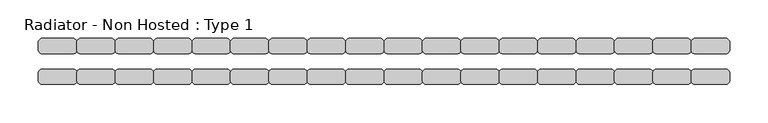
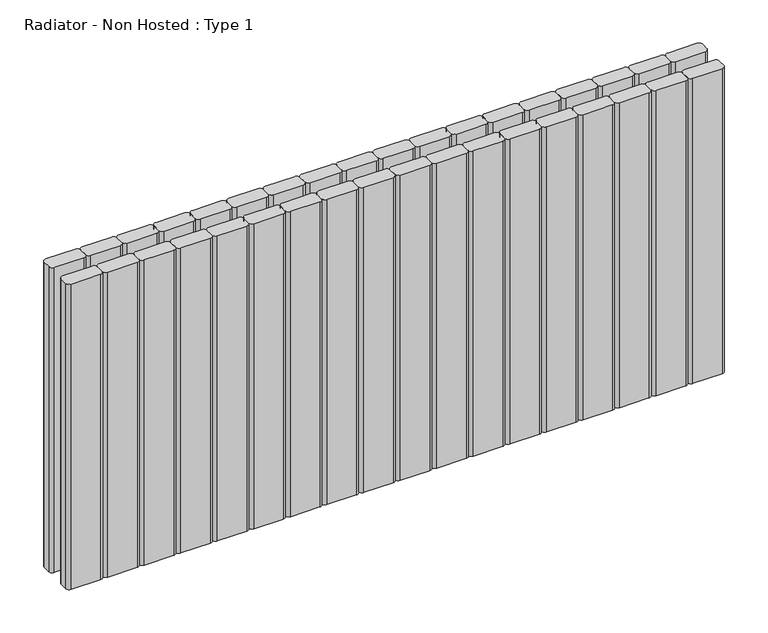
"""IFC4 building model written with IfcOpenShell, lengths in millimetres: proxy geometry, Radiator - Non Hosted : Type 1."""

from ifc_helpers import new_model, si_unit, point, frame, frame_2d, origin, place, context, project, spatial, polyline, circle_curve, trimmed, segment, composite_curve, outline, extrude, source, transform, mapped, element, save


def radiator_non_hosted_type_1_456f653b(model_context):
    return source(origin(), model_context, "Body", "SweptSolid", [
        extrude(outline(composite_curve([segment(trimmed(circle_curve(frame_2d((995.0, 95.0)), 5.0), [point((995.0, 100.0))], [point((1000.0, 95.0))], False, "CARTESIAN"), True, "CONTINUOUS"), segment(polyline([(1000.0, 95.0), (1000.0, 85.0)]), True, "CONTINUOUS"), segment(trimmed(circle_curve(frame_2d((995.0, 85.0)), 5.0), [point((1000.0, 85.0))], [point((995.0, 80.0))], False, "CARTESIAN"), True, "CONTINUOUS"), segment(polyline([(995.0, 80.0), (955.0, 80.0)]), True, "CONTINUOUS"), segment(trimmed(circle_curve(frame_2d((955.0, 85.0)), 5.0), [point((955.0, 80.0))], [point((950.0, 85.0))], False, "CARTESIAN"), True, "CONTINUOUS"), segment(polyline([(950.0, 85.0), (950.0, 95.0)]), True, "CONTINUOUS"), segment(trimmed(circle_curve(frame_2d((955.0, 95.0)), 5.0), [point((950.0, 95.0))], [point((955.0, 100.0))], False, "CARTESIAN"), True, "CONTINUOUS"), segment(polyline([(955.0, 100.0), (995.0, 100.0)]), True, "CONTINUOUS")], self_intersect=False)), frame((0.0, 0.0, 100.0), z_axis=(0.0, 0.0, 1.0), x_axis=(1.0, 0.0, 0.0)), (0.0, 0.0, 1.0), 441.0619944),
        extrude(outline(composite_curve([segment(trimmed(circle_curve(frame_2d((945.0, 95.0)), 5.0), [point((945.0, 100.0))], [point((950.0, 95.0))], False, "CARTESIAN"), True, "CONTINUOUS"), segment(polyline([(950.0, 95.0), (950.0, 85.0)]), True, "CONTINUOUS"), segment(trimmed(circle_curve(frame_2d((945.0, 85.0)), 5.0), [point((950.0, 85.0))], [point((945.0, 80.0))], False, "CARTESIAN"), True, "CONTINUOUS"), segment(polyline([(945.0, 80.0), (905.0, 80.0)]), True, "CONTINUOUS"), segment(trimmed(circle_curve(frame_2d((905.0, 85.0)), 5.0), [point((905.0, 80.0))], [point((900.0, 85.0))], False, "CARTESIAN"), True, "CONTINUOUS"), segment(polyline([(900.0, 85.0), (900.0, 95.0)]), True, "CONTINUOUS"), segment(trimmed(circle_curve(frame_2d((905.0, 95.0)), 5.0), [point((900.0, 95.0))], [point((905.0, 100.0))], False, "CARTESIAN"), True, "CONTINUOUS"), segment(polyline([(905.0, 100.0), (945.0, 100.0)]), True, "CONTINUOUS")], self_intersect=False)), frame((0.0, 0.0, 100.0), z_axis=(0.0, 0.0, 1.0), x_axis=(1.0, 0.0, 0.0)), (0.0, 0.0, 1.0), 441.0619944),
        extrude(outline(composite_curve([segment(trimmed(circle_curve(frame_2d((895.0, 95.0)), 5.0), [point((895.0, 100.0))], [point((900.0, 95.0))], False, "CARTESIAN"), True, "CONTINUOUS"), segment(polyline([(900.0, 95.0), (900.0, 85.0)]), True, "CONTINUOUS"), segment(trimmed(circle_curve(frame_2d((895.0, 85.0)), 5.0), [point((900.0, 85.0))], [point((895.0, 80.0))], False, "CARTESIAN"), True, "CONTINUOUS"), segment(polyline([(895.0, 80.0), (855.0, 80.0)]), True, "CONTINUOUS"), segment(trimmed(circle_curve(frame_2d((855.0, 85.0)), 5.0), [point((855.0, 80.0))], [point((850.0, 85.0))], False, "CARTESIAN"), True, "CONTINUOUS"), segment(polyline([(850.0, 85.0), (850.0, 95.0)]), True, "CONTINUOUS"), segment(trimmed(circle_curve(frame_2d((855.0, 95.0)), 5.0), [point((850.0, 95.0))], [point((855.0, 100.0))], False, "CARTESIAN"), True, "CONTINUOUS"), segment(polyline([(855.0, 100.0), (895.0, 100.0)]), True, "CONTINUOUS")], self_intersect=False)), frame((0.0, 0.0, 100.0), z_axis=(0.0, 0.0, 1.0), x_axis=(1.0, 0.0, 0.0)), (0.0, 0.0, 1.0), 441.0619944),
        extrude(outline(composite_curve([segment(trimmed(circle_curve(frame_2d((845.0, 95.0)), 5.0), [point((845.0, 100.0))], [point((850.0, 95.0))], False, "CARTESIAN"), True, "CONTINUOUS"), segment(polyline([(850.0, 95.0), (850.0, 85.0)]), True, "CONTINUOUS"), segment(trimmed(circle_curve(frame_2d((845.0, 85.0)), 5.0), [point((850.0, 85.0))], [point((845.0, 80.0))], False, "CARTESIAN"), True, "CONTINUOUS"), segment(polyline([(845.0, 80.0), (805.0, 80.0)]), True, "CONTINUOUS"), segment(trimmed(circle_curve(frame_2d((805.0, 85.0)), 5.0), [point((805.0, 80.0))], [point((800.0, 85.0))], False, "CARTESIAN"), True, "CONTINUOUS"), segment(polyline([(800.0, 85.0), (800.0, 95.0)]), True, "CONTINUOUS"), segment(trimmed(circle_curve(frame_2d((805.0, 95.0)), 5.0), [point((800.0, 95.0))], [point((805.0, 100.0))], False, "CARTESIAN"), True, "CONTINUOUS"), segment(polyline([(805.0, 100.0), (845.0, 100.0)]), True, "CONTINUOUS")], self_intersect=False)), frame((0.0, 0.0, 100.0), z_axis=(0.0, 0.0, 1.0), x_axis=(1.0, 0.0, 0.0)), (0.0, 0.0, 1.0), 441.0619944),
        extrude(outline(composite_curve([segment(trimmed(circle_curve(frame_2d((795.0, 95.0)), 5.0), [point((795.0, 100.0))], [point((800.0, 95.0))], False, "CARTESIAN"), True, "CONTINUOUS"), segment(polyline([(800.0, 95.0), (800.0, 85.0)]), True, "CONTINUOUS"), segment(trimmed(circle_curve(frame_2d((795.0, 85.0)), 5.0), [point((800.0, 85.0))], [point((795.0, 80.0))], False, "CARTESIAN"), True, "CONTINUOUS"), segment(polyline([(795.0, 80.0), (755.0, 80.0)]), True, "CONTINUOUS"), segment(trimmed(circle_curve(frame_2d((755.0, 85.0)), 5.0), [point((755.0, 80.0))], [point((750.0, 85.0))], False, "CARTESIAN"), True, "CONTINUOUS"), segment(polyline([(750.0, 85.0), (750.0, 95.0)]), True, "CONTINUOUS"), segment(trimmed(circle_curve(frame_2d((755.0, 95.0)), 5.0), [point((750.0, 95.0))], [point((755.0, 100.0))], False, "CARTESIAN"), True, "CONTINUOUS"), segment(polyline([(755.0, 100.0), (795.0, 100.0)]), True, "CONTINUOUS")], self_intersect=False)), frame((0.0, 0.0, 100.0), z_axis=(0.0, 0.0, 1.0), x_axis=(1.0, 0.0, 0.0)), (0.0, 0.0, 1.0), 441.0619944),
        extrude(outline(composite_curve([segment(trimmed(circle_curve(frame_2d((745.0, 95.0)), 5.0), [point((745.0, 100.0))], [point((750.0, 95.0))], False, "CARTESIAN"), True, "CONTINUOUS"), segment(polyline([(750.0, 95.0), (750.0, 85.0)]), True, "CONTINUOUS"), segment(trimmed(circle_curve(frame_2d((745.0, 85.0)), 5.0), [point((750.0, 85.0))], [point((745.0, 80.0))], False, "CARTESIAN"), True, "CONTINUOUS"), segment(polyline([(745.0, 80.0), (705.0, 80.0)]), True, "CONTINUOUS"), segment(trimmed(circle_curve(frame_2d((705.0, 85.0)), 5.0), [point((705.0, 80.0))], [point((700.0, 85.0))], False, "CARTESIAN"), True, "CONTINUOUS"), segment(polyline([(700.0, 85.0), (700.0, 95.0)]), True, "CONTINUOUS"), segment(trimmed(circle_curve(frame_2d((705.0, 95.0)), 5.0), [point((700.0, 95.0))], [point((705.0, 100.0))], False, "CARTESIAN"), True, "CONTINUOUS"), segment(polyline([(705.0, 100.0), (745.0, 100.0)]), True, "CONTINUOUS")], self_intersect=False)), frame((0.0, 0.0, 100.0), z_axis=(0.0, 0.0, 1.0), x_axis=(1.0, 0.0, 0.0)), (0.0, 0.0, 1.0), 441.0619944),
        extrude(outline(composite_curve([segment(trimmed(circle_curve(frame_2d((695.0, 95.0)), 5.0), [point((695.0, 100.0))], [point((700.0, 95.0))], False, "CARTESIAN"), True, "CONTINUOUS"), segment(polyline([(700.0, 95.0), (700.0, 85.0)]), True, "CONTINUOUS"), segment(trimmed(circle_curve(frame_2d((695.0, 85.0)), 5.0), [point((700.0, 85.0))], [point((695.0, 80.0))], False, "CARTESIAN"), True, "CONTINUOUS"), segment(polyline([(695.0, 80.0), (655.0, 80.0)]), True, "CONTINUOUS"), segment(trimmed(circle_curve(frame_2d((655.0, 85.0)), 5.0), [point((655.0, 80.0))], [point((650.0, 85.0))], False, "CARTESIAN"), True, "CONTINUOUS"), segment(polyline([(650.0, 85.0), (650.0, 95.0)]), True, "CONTINUOUS"), segment(trimmed(circle_curve(frame_2d((655.0, 95.0)), 5.0), [point((650.0, 95.0))], [point((655.0, 100.0))], False, "CARTESIAN"), True, "CONTINUOUS"), segment(polyline([(655.0, 100.0), (695.0, 100.0)]), True, "CONTINUOUS")], self_intersect=False)), frame((0.0, 0.0, 100.0), z_axis=(0.0, 0.0, 1.0), x_axis=(1.0, 0.0, 0.0)), (0.0, 0.0, 1.0), 441.0619944),
        extrude(outline(composite_curve([segment(trimmed(circle_curve(frame_2d((645.0, 95.0)), 5.0), [point((645.0, 100.0))], [point((650.0, 95.0))], False, "CARTESIAN"), True, "CONTINUOUS"), segment(polyline([(650.0, 95.0), (650.0, 85.0)]), True, "CONTINUOUS"), segment(trimmed(circle_curve(frame_2d((645.0, 85.0)), 5.0), [point((650.0, 85.0))], [point((645.0, 80.0))], False, "CARTESIAN"), True, "CONTINUOUS"), segment(polyline([(645.0, 80.0), (605.0, 80.0)]), True, "CONTINUOUS"), segment(trimmed(circle_curve(frame_2d((605.0, 85.0)), 5.0), [point((605.0, 80.0))], [point((600.0, 85.0))], False, "CARTESIAN"), True, "CONTINUOUS"), segment(polyline([(600.0, 85.0), (600.0, 95.0)]), True, "CONTINUOUS"), segment(trimmed(circle_curve(frame_2d((605.0, 95.0)), 5.0), [point((600.0, 95.0))], [point((605.0, 100.0))], False, "CARTESIAN"), True, "CONTINUOUS"), segment(polyline([(605.0, 100.0), (645.0, 100.0)]), True, "CONTINUOUS")], self_intersect=False)), frame((0.0, 0.0, 100.0), z_axis=(0.0, 0.0, 1.0), x_axis=(1.0, 0.0, 0.0)), (0.0, 0.0, 1.0), 441.0619944),
        extrude(outline(composite_curve([segment(trimmed(circle_curve(frame_2d((995.0, 55.0)), 5.0), [point((995.0, 60.0))], [point((1000.0, 55.0))], False, "CARTESIAN"), True, "CONTINUOUS"), segment(polyline([(1000.0, 55.0), (1000.0, 45.0)]), True, "CONTINUOUS"), segment(trimmed(circle_curve(frame_2d((995.0, 45.0)), 5.0), [point((1000.0, 45.0))], [point((995.0, 40.0))], False, "CARTESIAN"), True, "CONTINUOUS"), segment(polyline([(995.0, 40.0), (955.0, 40.0)]), True, "CONTINUOUS"), segment(trimmed(circle_curve(frame_2d((955.0, 45.0)), 5.0), [point((955.0, 40.0))], [point((950.0, 45.0))], False, "CARTESIAN"), True, "CONTINUOUS"), segment(polyline([(950.0, 45.0), (950.0, 55.0)]), True, "CONTINUOUS"), segment(trimmed(circle_curve(frame_2d((955.0, 55.0)), 5.0), [point((950.0, 55.0))], [point((955.0, 60.0))], False, "CARTESIAN"), True, "CONTINUOUS"), segment(polyline([(955.0, 60.0), (995.0, 60.0)]), True, "CONTINUOUS")], self_intersect=False)), frame((0.0, 0.0, 100.0), z_axis=(0.0, 0.0, 1.0), x_axis=(1.0, 0.0, 0.0)), (0.0, 0.0, 1.0), 441.0619944),
        extrude(outline(composite_curve([segment(trimmed(circle_curve(frame_2d((945.0, 55.0)), 5.0), [point((945.0, 60.0))], [point((950.0, 55.0))], False, "CARTESIAN"), True, "CONTINUOUS"), segment(polyline([(950.0, 55.0), (950.0, 45.0)]), True, "CONTINUOUS"), segment(trimmed(circle_curve(frame_2d((945.0, 45.0)), 5.0), [point((950.0, 45.0))], [point((945.0, 40.0))], False, "CARTESIAN"), True, "CONTINUOUS"), segment(polyline([(945.0, 40.0), (905.0, 40.0)]), True, "CONTINUOUS"), segment(trimmed(circle_curve(frame_2d((905.0, 45.0)), 5.0), [point((905.0, 40.0))], [point((900.0, 45.0))], False, "CARTESIAN"), True, "CONTINUOUS"), segment(polyline([(900.0, 45.0), (900.0, 55.0)]), True, "CONTINUOUS"), segment(trimmed(circle_curve(frame_2d((905.0, 55.0)), 5.0), [point((900.0, 55.0))], [point((905.0, 60.0))], False, "CARTESIAN"), True, "CONTINUOUS"), segment(polyline([(905.0, 60.0), (945.0, 60.0)]), True, "CONTINUOUS")], self_intersect=False)), frame((0.0, 0.0, 100.0), z_axis=(0.0, 0.0, 1.0), x_axis=(1.0, 0.0, 0.0)), (0.0, 0.0, 1.0), 441.0619944),
        extrude(outline(composite_curve([segment(trimmed(circle_curve(frame_2d((895.0, 55.0)), 5.0), [point((895.0, 60.0))], [point((900.0, 55.0))], False, "CARTESIAN"), True, "CONTINUOUS"), segment(polyline([(900.0, 55.0), (900.0, 45.0)]), True, "CONTINUOUS"), segment(trimmed(circle_curve(frame_2d((895.0, 45.0)), 5.0), [point((900.0, 45.0))], [point((895.0, 40.0))], False, "CARTESIAN"), True, "CONTINUOUS"), segment(polyline([(895.0, 40.0), (855.0, 40.0)]), True, "CONTINUOUS"), segment(trimmed(circle_curve(frame_2d((855.0, 45.0)), 5.0), [point((855.0, 40.0))], [point((850.0, 45.0))], False, "CARTESIAN"), True, "CONTINUOUS"), segment(polyline([(850.0, 45.0), (850.0, 55.0)]), True, "CONTINUOUS"), segment(trimmed(circle_curve(frame_2d((855.0, 55.0)), 5.0), [point((850.0, 55.0))], [point((855.0, 60.0))], False, "CARTESIAN"), True, "CONTINUOUS"), segment(polyline([(855.0, 60.0), (895.0, 60.0)]), True, "CONTINUOUS")], self_intersect=False)), frame((0.0, 0.0, 100.0), z_axis=(0.0, 0.0, 1.0), x_axis=(1.0, 0.0, 0.0)), (0.0, 0.0, 1.0), 441.0619944),
        extrude(outline(composite_curve([segment(trimmed(circle_curve(frame_2d((845.0, 55.0)), 5.0), [point((845.0, 60.0))], [point((850.0, 55.0))], False, "CARTESIAN"), True, "CONTINUOUS"), segment(polyline([(850.0, 55.0), (850.0, 45.0)]), True, "CONTINUOUS"), segment(trimmed(circle_curve(frame_2d((845.0, 45.0)), 5.0), [point((850.0, 45.0))], [point((845.0, 40.0))], False, "CARTESIAN"), True, "CONTINUOUS"), segment(polyline([(845.0, 40.0), (805.0, 40.0)]), True, "CONTINUOUS"), segment(trimmed(circle_curve(frame_2d((805.0, 45.0)), 5.0), [point((805.0, 40.0))], [point((800.0, 45.0))], False, "CARTESIAN"), True, "CONTINUOUS"), segment(polyline([(800.0, 45.0), (800.0, 55.0)]), True, "CONTINUOUS"), segment(trimmed(circle_curve(frame_2d((805.0, 55.0)), 5.0), [point((800.0, 55.0))], [point((805.0, 60.0))], False, "CARTESIAN"), True, "CONTINUOUS"), segment(polyline([(805.0, 60.0), (845.0, 60.0)]), True, "CONTINUOUS")], self_intersect=False)), frame((0.0, 0.0, 100.0), z_axis=(0.0, 0.0, 1.0), x_axis=(1.0, 0.0, 0.0)), (0.0, 0.0, 1.0), 441.0619944),
        extrude(outline(composite_curve([segment(trimmed(circle_curve(frame_2d((795.0, 55.0)), 5.0), [point((795.0, 60.0))], [point((800.0, 55.0))], False, "CARTESIAN"), True, "CONTINUOUS"), segment(polyline([(800.0, 55.0), (800.0, 45.0)]), True, "CONTINUOUS"), segment(trimmed(circle_curve(frame_2d((795.0, 45.0)), 5.0), [point((800.0, 45.0))], [point((795.0, 40.0))], False, "CARTESIAN"), True, "CONTINUOUS"), segment(polyline([(795.0, 40.0), (755.0, 40.0)]), True, "CONTINUOUS"), segment(trimmed(circle_curve(frame_2d((755.0, 45.0)), 5.0), [point((755.0, 40.0))], [point((750.0, 45.0))], False, "CARTESIAN"), True, "CONTINUOUS"), segment(polyline([(750.0, 45.0), (750.0, 55.0)]), True, "CONTINUOUS"), segment(trimmed(circle_curve(frame_2d((755.0, 55.0)), 5.0), [point((750.0, 55.0))], [point((755.0, 60.0))], False, "CARTESIAN"), True, "CONTINUOUS"), segment(polyline([(755.0, 60.0), (795.0, 60.0)]), True, "CONTINUOUS")], self_intersect=False)), frame((0.0, 0.0, 100.0), z_axis=(0.0, 0.0, 1.0), x_axis=(1.0, 0.0, 0.0)), (0.0, 0.0, 1.0), 441.0619944),
        extrude(outline(composite_curve([segment(trimmed(circle_curve(frame_2d((745.0, 55.0)), 5.0), [point((745.0, 60.0))], [point((750.0, 55.0))], False, "CARTESIAN"), True, "CONTINUOUS"), segment(polyline([(750.0, 55.0), (750.0, 45.0)]), True, "CONTINUOUS"), segment(trimmed(circle_curve(frame_2d((745.0, 45.0)), 5.0), [point((750.0, 45.0))], [point((745.0, 40.0))], False, "CARTESIAN"), True, "CONTINUOUS"), segment(polyline([(745.0, 40.0), (705.0, 40.0)]), True, "CONTINUOUS"), segment(trimmed(circle_curve(frame_2d((705.0, 45.0)), 5.0), [point((705.0, 40.0))], [point((700.0, 45.0))], False, "CARTESIAN"), True, "CONTINUOUS"), segment(polyline([(700.0, 45.0), (700.0, 55.0)]), True, "CONTINUOUS"), segment(trimmed(circle_curve(frame_2d((705.0, 55.0)), 5.0), [point((700.0, 55.0))], [point((705.0, 60.0))], False, "CARTESIAN"), True, "CONTINUOUS"), segment(polyline([(705.0, 60.0), (745.0, 60.0)]), True, "CONTINUOUS")], self_intersect=False)), frame((0.0, 0.0, 100.0), z_axis=(0.0, 0.0, 1.0), x_axis=(1.0, 0.0, 0.0)), (0.0, 0.0, 1.0), 441.0619944),
        extrude(outline(composite_curve([segment(trimmed(circle_curve(frame_2d((695.0, 55.0)), 5.0), [point((695.0, 60.0))], [point((700.0, 55.0))], False, "CARTESIAN"), True, "CONTINUOUS"), segment(polyline([(700.0, 55.0), (700.0, 45.0)]), True, "CONTINUOUS"), segment(trimmed(circle_curve(frame_2d((695.0, 45.0)), 5.0), [point((700.0, 45.0))], [point((695.0, 40.0))], False, "CARTESIAN"), True, "CONTINUOUS"), segment(polyline([(695.0, 40.0), (655.0, 40.0)]), True, "CONTINUOUS"), segment(trimmed(circle_curve(frame_2d((655.0, 45.0)), 5.0), [point((655.0, 40.0))], [point((650.0, 45.0))], False, "CARTESIAN"), True, "CONTINUOUS"), segment(polyline([(650.0, 45.0), (650.0, 55.0)]), True, "CONTINUOUS"), segment(trimmed(circle_curve(frame_2d((655.0, 55.0)), 5.0), [point((650.0, 55.0))], [point((655.0, 60.0))], False, "CARTESIAN"), True, "CONTINUOUS"), segment(polyline([(655.0, 60.0), (695.0, 60.0)]), True, "CONTINUOUS")], self_intersect=False)), frame((0.0, 0.0, 100.0), z_axis=(0.0, 0.0, 1.0), x_axis=(1.0, 0.0, 0.0)), (0.0, 0.0, 1.0), 441.0619944),
        extrude(outline(composite_curve([segment(trimmed(circle_curve(frame_2d((645.0, 55.0)), 5.0), [point((645.0, 60.0))], [point((650.0, 55.0))], False, "CARTESIAN"), True, "CONTINUOUS"), segment(polyline([(650.0, 55.0), (650.0, 45.0)]), True, "CONTINUOUS"), segment(trimmed(circle_curve(frame_2d((645.0, 45.0)), 5.0), [point((650.0, 45.0))], [point((645.0, 40.0))], False, "CARTESIAN"), True, "CONTINUOUS"), segment(polyline([(645.0, 40.0), (605.0, 40.0)]), True, "CONTINUOUS"), segment(trimmed(circle_curve(frame_2d((605.0, 45.0)), 5.0), [point((605.0, 40.0))], [point((600.0, 45.0))], False, "CARTESIAN"), True, "CONTINUOUS"), segment(polyline([(600.0, 45.0), (600.0, 55.0)]), True, "CONTINUOUS"), segment(trimmed(circle_curve(frame_2d((605.0, 55.0)), 5.0), [point((600.0, 55.0))], [point((605.0, 60.0))], False, "CARTESIAN"), True, "CONTINUOUS"), segment(polyline([(605.0, 60.0), (645.0, 60.0)]), True, "CONTINUOUS")], self_intersect=False)), frame((0.0, 0.0, 100.0), z_axis=(0.0, 0.0, 1.0), x_axis=(1.0, 0.0, 0.0)), (0.0, 0.0, 1.0), 441.0619944),
        extrude(outline(composite_curve([segment(trimmed(circle_curve(frame_2d((595.0, 95.0)), 5.0), [point((595.0, 100.0))], [point((600.0, 95.0))], False, "CARTESIAN"), True, "CONTINUOUS"), segment(polyline([(600.0, 95.0), (600.0, 85.0)]), True, "CONTINUOUS"), segment(trimmed(circle_curve(frame_2d((595.0, 85.0)), 5.0), [point((600.0, 85.0))], [point((595.0, 80.0))], False, "CARTESIAN"), True, "CONTINUOUS"), segment(polyline([(595.0, 80.0), (555.0, 80.0)]), True, "CONTINUOUS"), segment(trimmed(circle_curve(frame_2d((555.0, 85.0)), 5.0), [point((555.0, 80.0))], [point((550.0, 85.0))], False, "CARTESIAN"), True, "CONTINUOUS"), segment(polyline([(550.0, 85.0), (550.0, 95.0)]), True, "CONTINUOUS"), segment(trimmed(circle_curve(frame_2d((555.0, 95.0)), 5.0), [point((550.0, 95.0))], [point((555.0, 100.0))], False, "CARTESIAN"), True, "CONTINUOUS"), segment(polyline([(555.0, 100.0), (595.0, 100.0)]), True, "CONTINUOUS")], self_intersect=False)), frame((0.0, 0.0, 100.0), z_axis=(0.0, 0.0, 1.0), x_axis=(1.0, 0.0, 0.0)), (0.0, 0.0, 1.0), 441.0619944),
        extrude(outline(composite_curve([segment(trimmed(circle_curve(frame_2d((545.0, 95.0)), 5.0), [point((545.0, 100.0))], [point((550.0, 95.0))], False, "CARTESIAN"), True, "CONTINUOUS"), segment(polyline([(550.0, 95.0), (550.0, 85.0)]), True, "CONTINUOUS"), segment(trimmed(circle_curve(frame_2d((545.0, 85.0)), 5.0), [point((550.0, 85.0))], [point((545.0, 80.0))], False, "CARTESIAN"), True, "CONTINUOUS"), segment(polyline([(545.0, 80.0), (505.0, 80.0)]), True, "CONTINUOUS"), segment(trimmed(circle_curve(frame_2d((505.0, 85.0)), 5.0), [point((505.0, 80.0))], [point((500.0, 85.0))], False, "CARTESIAN"), True, "CONTINUOUS"), segment(polyline([(500.0, 85.0), (500.0, 95.0)]), True, "CONTINUOUS"), segment(trimmed(circle_curve(frame_2d((505.0, 95.0)), 5.0), [point((500.0, 95.0))], [point((505.0, 100.0))], False, "CARTESIAN"), True, "CONTINUOUS"), segment(polyline([(505.0, 100.0), (545.0, 100.0)]), True, "CONTINUOUS")], self_intersect=False)), frame((0.0, 0.0, 100.0), z_axis=(0.0, 0.0, 1.0), x_axis=(1.0, 0.0, 0.0)), (0.0, 0.0, 1.0), 441.0619944),
        extrude(outline(composite_curve([segment(trimmed(circle_curve(frame_2d((495.0, 95.0)), 5.0), [point((495.0, 100.0))], [point((500.0, 95.0))], False, "CARTESIAN"), True, "CONTINUOUS"), segment(polyline([(500.0, 95.0), (500.0, 85.0)]), True, "CONTINUOUS"), segment(trimmed(circle_curve(frame_2d((495.0, 85.0)), 5.0), [point((500.0, 85.0))], [point((495.0, 80.0))], False, "CARTESIAN"), True, "CONTINUOUS"), segment(polyline([(495.0, 80.0), (455.0, 80.0)]), True, "CONTINUOUS"), segment(trimmed(circle_curve(frame_2d((455.0, 85.0)), 5.0), [point((455.0, 80.0))], [point((450.0, 85.0))], False, "CARTESIAN"), True, "CONTINUOUS"), segment(polyline([(450.0, 85.0), (450.0, 95.0)]), True, "CONTINUOUS"), segment(trimmed(circle_curve(frame_2d((455.0, 95.0)), 5.0), [point((450.0, 95.0))], [point((455.0, 100.0))], False, "CARTESIAN"), True, "CONTINUOUS"), segment(polyline([(455.0, 100.0), (495.0, 100.0)]), True, "CONTINUOUS")], self_intersect=False)), frame((0.0, 0.0, 100.0), z_axis=(0.0, 0.0, 1.0), x_axis=(1.0, 0.0, 0.0)), (0.0, 0.0, 1.0), 441.0619944),
        extrude(outline(composite_curve([segment(trimmed(circle_curve(frame_2d((445.0, 95.0)), 5.0), [point((445.0, 100.0))], [point((450.0, 95.0))], False, "CARTESIAN"), True, "CONTINUOUS"), segment(polyline([(450.0, 95.0), (450.0, 85.0)]), True, "CONTINUOUS"), segment(trimmed(circle_curve(frame_2d((445.0, 85.0)), 5.0), [point((450.0, 85.0))], [point((445.0, 80.0))], False, "CARTESIAN"), True, "CONTINUOUS"), segment(polyline([(445.0, 80.0), (405.0, 80.0)]), True, "CONTINUOUS"), segment(trimmed(circle_curve(frame_2d((405.0, 85.0)), 5.0), [point((405.0, 80.0))], [point((400.0, 85.0))], False, "CARTESIAN"), True, "CONTINUOUS"), segment(polyline([(400.0, 85.0), (400.0, 95.0)]), True, "CONTINUOUS"), segment(trimmed(circle_curve(frame_2d((405.0, 95.0)), 5.0), [point((400.0, 95.0))], [point((405.0, 100.0))], False, "CARTESIAN"), True, "CONTINUOUS"), segment(polyline([(405.0, 100.0), (445.0, 100.0)]), True, "CONTINUOUS")], self_intersect=False)), frame((0.0, 0.0, 100.0), z_axis=(0.0, 0.0, 1.0), x_axis=(1.0, 0.0, 0.0)), (0.0, 0.0, 1.0), 441.0619944),
        extrude(outline(composite_curve([segment(trimmed(circle_curve(frame_2d((395.0, 95.0)), 5.0), [point((395.0, 100.0))], [point((400.0, 95.0))], False, "CARTESIAN"), True, "CONTINUOUS"), segment(polyline([(400.0, 95.0), (400.0, 85.0)]), True, "CONTINUOUS"), segment(trimmed(circle_curve(frame_2d((395.0, 85.0)), 5.0), [point((400.0, 85.0))], [point((395.0, 80.0))], False, "CARTESIAN"), True, "CONTINUOUS"), segment(polyline([(395.0, 80.0), (355.0, 80.0)]), True, "CONTINUOUS"), segment(trimmed(circle_curve(frame_2d((355.0, 85.0)), 5.0), [point((355.0, 80.0))], [point((350.0, 85.0))], False, "CARTESIAN"), True, "CONTINUOUS"), segment(polyline([(350.0, 85.0), (350.0, 95.0)]), True, "CONTINUOUS"), segment(trimmed(circle_curve(frame_2d((355.0, 95.0)), 5.0), [point((350.0, 95.0))], [point((355.0, 100.0))], False, "CARTESIAN"), True, "CONTINUOUS"), segment(polyline([(355.0, 100.0), (395.0, 100.0)]), True, "CONTINUOUS")], self_intersect=False)), frame((0.0, 0.0, 100.0), z_axis=(0.0, 0.0, 1.0), x_axis=(1.0, 0.0, 0.0)), (0.0, 0.0, 1.0), 441.0619944),
        extrude(outline(composite_curve([segment(trimmed(circle_curve(frame_2d((345.0, 95.0)), 5.0), [point((345.0, 100.0))], [point((350.0, 95.0))], False, "CARTESIAN"), True, "CONTINUOUS"), segment(polyline([(350.0, 95.0), (350.0, 85.0)]), True, "CONTINUOUS"), segment(trimmed(circle_curve(frame_2d((345.0, 85.0)), 5.0), [point((350.0, 85.0))], [point((345.0, 80.0))], False, "CARTESIAN"), True, "CONTINUOUS"), segment(polyline([(345.0, 80.0), (305.0, 80.0)]), True, "CONTINUOUS"), segment(trimmed(circle_curve(frame_2d((305.0, 85.0)), 5.0), [point((305.0, 80.0))], [point((300.0, 85.0))], False, "CARTESIAN"), True, "CONTINUOUS"), segment(polyline([(300.0, 85.0), (300.0, 95.0)]), True, "CONTINUOUS"), segment(trimmed(circle_curve(frame_2d((305.0, 95.0)), 5.0), [point((300.0, 95.0))], [point((305.0, 100.0))], False, "CARTESIAN"), True, "CONTINUOUS"), segment(polyline([(305.0, 100.0), (345.0, 100.0)]), True, "CONTINUOUS")], self_intersect=False)), frame((0.0, 0.0, 100.0), z_axis=(0.0, 0.0, 1.0), x_axis=(1.0, 0.0, 0.0)), (0.0, 0.0, 1.0), 441.0619944),
        extrude(outline(composite_curve([segment(trimmed(circle_curve(frame_2d((295.0, 95.0)), 5.0), [point((295.0, 100.0))], [point((300.0, 95.0))], False, "CARTESIAN"), True, "CONTINUOUS"), segment(polyline([(300.0, 95.0), (300.0, 85.0)]), True, "CONTINUOUS"), segment(trimmed(circle_curve(frame_2d((295.0, 85.0)), 5.0), [point((300.0, 85.0))], [point((295.0, 80.0))], False, "CARTESIAN"), True, "CONTINUOUS"), segment(polyline([(295.0, 80.0), (255.0, 80.0)]), True, "CONTINUOUS"), segment(trimmed(circle_curve(frame_2d((255.0, 85.0)), 5.0), [point((255.0, 80.0))], [point((250.0, 85.0))], False, "CARTESIAN"), True, "CONTINUOUS"), segment(polyline([(250.0, 85.0), (250.0, 95.0)]), True, "CONTINUOUS"), segment(trimmed(circle_curve(frame_2d((255.0, 95.0)), 5.0), [point((250.0, 95.0))], [point((255.0, 100.0))], False, "CARTESIAN"), True, "CONTINUOUS"), segment(polyline([(255.0, 100.0), (295.0, 100.0)]), True, "CONTINUOUS")], self_intersect=False)), frame((0.0, 0.0, 100.0), z_axis=(0.0, 0.0, 1.0), x_axis=(1.0, 0.0, 0.0)), (0.0, 0.0, 1.0), 441.0619944),
        extrude(outline(composite_curve([segment(trimmed(circle_curve(frame_2d((245.0, 95.0)), 5.0), [point((245.0, 100.0))], [point((250.0, 95.0))], False, "CARTESIAN"), True, "CONTINUOUS"), segment(polyline([(250.0, 95.0), (250.0, 85.0)]), True, "CONTINUOUS"), segment(trimmed(circle_curve(frame_2d((245.0, 85.0)), 5.0), [point((250.0, 85.0))], [point((245.0, 80.0))], False, "CARTESIAN"), True, "CONTINUOUS"), segment(polyline([(245.0, 80.0), (205.0, 80.0)]), True, "CONTINUOUS"), segment(trimmed(circle_curve(frame_2d((205.0, 85.0)), 5.0), [point((205.0, 80.0))], [point((200.0, 85.0))], False, "CARTESIAN"), True, "CONTINUOUS"), segment(polyline([(200.0, 85.0), (200.0, 95.0)]), True, "CONTINUOUS"), segment(trimmed(circle_curve(frame_2d((205.0, 95.0)), 5.0), [point((200.0, 95.0))], [point((205.0, 100.0))], False, "CARTESIAN"), True, "CONTINUOUS"), segment(polyline([(205.0, 100.0), (245.0, 100.0)]), True, "CONTINUOUS")], self_intersect=False)), frame((0.0, 0.0, 100.0), z_axis=(0.0, 0.0, 1.0), x_axis=(1.0, 0.0, 0.0)), (0.0, 0.0, 1.0), 441.0619944),
        extrude(outline(composite_curve([segment(trimmed(circle_curve(frame_2d((195.0, 95.0)), 5.0), [point((195.0, 100.0))], [point((200.0, 95.0))], False, "CARTESIAN"), True, "CONTINUOUS"), segment(polyline([(200.0, 95.0), (200.0, 85.0)]), True, "CONTINUOUS"), segment(trimmed(circle_curve(frame_2d((195.0, 85.0)), 5.0), [point((200.0, 85.0))], [point((195.0, 80.0))], False, "CARTESIAN"), True, "CONTINUOUS"), segment(polyline([(195.0, 80.0), (155.0, 80.0)]), True, "CONTINUOUS"), segment(trimmed(circle_curve(frame_2d((155.0, 85.0)), 5.0), [point((155.0, 80.0))], [point((150.0, 85.0))], False, "CARTESIAN"), True, "CONTINUOUS"), segment(polyline([(150.0, 85.0), (150.0, 95.0)]), True, "CONTINUOUS"), segment(trimmed(circle_curve(frame_2d((155.0, 95.0)), 5.0), [point((150.0, 95.0))], [point((155.0, 100.0))], False, "CARTESIAN"), True, "CONTINUOUS"), segment(polyline([(155.0, 100.0), (195.0, 100.0)]), True, "CONTINUOUS")], self_intersect=False)), frame((0.0, 0.0, 100.0), z_axis=(0.0, 0.0, 1.0), x_axis=(1.0, 0.0, 0.0)), (0.0, 0.0, 1.0), 441.0619944),
        extrude(outline(composite_curve([segment(trimmed(circle_curve(frame_2d((595.0, 55.0)), 5.0), [point((595.0, 60.0))], [point((600.0, 55.0))], False, "CARTESIAN"), True, "CONTINUOUS"), segment(polyline([(600.0, 55.0), (600.0, 45.0)]), True, "CONTINUOUS"), segment(trimmed(circle_curve(frame_2d((595.0, 45.0)), 5.0), [point((600.0, 45.0))], [point((595.0, 40.0))], False, "CARTESIAN"), True, "CONTINUOUS"), segment(polyline([(595.0, 40.0), (555.0, 40.0)]), True, "CONTINUOUS"), segment(trimmed(circle_curve(frame_2d((555.0, 45.0)), 5.0), [point((555.0, 40.0))], [point((550.0, 45.0))], False, "CARTESIAN"), True, "CONTINUOUS"), segment(polyline([(550.0, 45.0), (550.0, 55.0)]), True, "CONTINUOUS"), segment(trimmed(circle_curve(frame_2d((555.0, 55.0)), 5.0), [point((550.0, 55.0))], [point((555.0, 60.0))], False, "CARTESIAN"), True, "CONTINUOUS"), segment(polyline([(555.0, 60.0), (595.0, 60.0)]), True, "CONTINUOUS")], self_intersect=False)), frame((0.0, 0.0, 100.0), z_axis=(0.0, 0.0, 1.0), x_axis=(1.0, 0.0, 0.0)), (0.0, 0.0, 1.0), 441.0619944),
        extrude(outline(composite_curve([segment(trimmed(circle_curve(frame_2d((545.0, 55.0)), 5.0), [point((545.0, 60.0))], [point((550.0, 55.0))], False, "CARTESIAN"), True, "CONTINUOUS"), segment(polyline([(550.0, 55.0), (550.0, 45.0)]), True, "CONTINUOUS"), segment(trimmed(circle_curve(frame_2d((545.0, 45.0)), 5.0), [point((550.0, 45.0))], [point((545.0, 40.0))], False, "CARTESIAN"), True, "CONTINUOUS"), segment(polyline([(545.0, 40.0), (505.0, 40.0)]), True, "CONTINUOUS"), segment(trimmed(circle_curve(frame_2d((505.0, 45.0)), 5.0), [point((505.0, 40.0))], [point((500.0, 45.0))], False, "CARTESIAN"), True, "CONTINUOUS"), segment(polyline([(500.0, 45.0), (500.0, 55.0)]), True, "CONTINUOUS"), segment(trimmed(circle_curve(frame_2d((505.0, 55.0)), 5.0), [point((500.0, 55.0))], [point((505.0, 60.0))], False, "CARTESIAN"), True, "CONTINUOUS"), segment(polyline([(505.0, 60.0), (545.0, 60.0)]), True, "CONTINUOUS")], self_intersect=False)), frame((0.0, 0.0, 100.0), z_axis=(0.0, 0.0, 1.0), x_axis=(1.0, 0.0, 0.0)), (0.0, 0.0, 1.0), 441.0619944),
        extrude(outline(composite_curve([segment(trimmed(circle_curve(frame_2d((495.0, 55.0)), 5.0), [point((495.0, 60.0))], [point((500.0, 55.0))], False, "CARTESIAN"), True, "CONTINUOUS"), segment(polyline([(500.0, 55.0), (500.0, 45.0)]), True, "CONTINUOUS"), segment(trimmed(circle_curve(frame_2d((495.0, 45.0)), 5.0), [point((500.0, 45.0))], [point((495.0, 40.0))], False, "CARTESIAN"), True, "CONTINUOUS"), segment(polyline([(495.0, 40.0), (455.0, 40.0)]), True, "CONTINUOUS"), segment(trimmed(circle_curve(frame_2d((455.0, 45.0)), 5.0), [point((455.0, 40.0))], [point((450.0, 45.0))], False, "CARTESIAN"), True, "CONTINUOUS"), segment(polyline([(450.0, 45.0), (450.0, 55.0)]), True, "CONTINUOUS"), segment(trimmed(circle_curve(frame_2d((455.0, 55.0)), 5.0), [point((450.0, 55.0))], [point((455.0, 60.0))], False, "CARTESIAN"), True, "CONTINUOUS"), segment(polyline([(455.0, 60.0), (495.0, 60.0)]), True, "CONTINUOUS")], self_intersect=False)), frame((0.0, 0.0, 100.0), z_axis=(0.0, 0.0, 1.0), x_axis=(1.0, 0.0, 0.0)), (0.0, 0.0, 1.0), 441.0619944),
        extrude(outline(composite_curve([segment(trimmed(circle_curve(frame_2d((445.0, 55.0)), 5.0), [point((445.0, 60.0))], [point((450.0, 55.0))], False, "CARTESIAN"), True, "CONTINUOUS"), segment(polyline([(450.0, 55.0), (450.0, 45.0)]), True, "CONTINUOUS"), segment(trimmed(circle_curve(frame_2d((445.0, 45.0)), 5.0), [point((450.0, 45.0))], [point((445.0, 40.0))], False, "CARTESIAN"), True, "CONTINUOUS"), segment(polyline([(445.0, 40.0), (405.0, 40.0)]), True, "CONTINUOUS"), segment(trimmed(circle_curve(frame_2d((405.0, 45.0)), 5.0), [point((405.0, 40.0))], [point((400.0, 45.0))], False, "CARTESIAN"), True, "CONTINUOUS"), segment(polyline([(400.0, 45.0), (400.0, 55.0)]), True, "CONTINUOUS"), segment(trimmed(circle_curve(frame_2d((405.0, 55.0)), 5.0), [point((400.0, 55.0))], [point((405.0, 60.0))], False, "CARTESIAN"), True, "CONTINUOUS"), segment(polyline([(405.0, 60.0), (445.0, 60.0)]), True, "CONTINUOUS")], self_intersect=False)), frame((0.0, 0.0, 100.0), z_axis=(0.0, 0.0, 1.0), x_axis=(1.0, 0.0, 0.0)), (0.0, 0.0, 1.0), 441.0619944),
        extrude(outline(composite_curve([segment(trimmed(circle_curve(frame_2d((395.0, 55.0)), 5.0), [point((395.0, 60.0))], [point((400.0, 55.0))], False, "CARTESIAN"), True, "CONTINUOUS"), segment(polyline([(400.0, 55.0), (400.0, 45.0)]), True, "CONTINUOUS"), segment(trimmed(circle_curve(frame_2d((395.0, 45.0)), 5.0), [point((400.0, 45.0))], [point((395.0, 40.0))], False, "CARTESIAN"), True, "CONTINUOUS"), segment(polyline([(395.0, 40.0), (355.0, 40.0)]), True, "CONTINUOUS"), segment(trimmed(circle_curve(frame_2d((355.0, 45.0)), 5.0), [point((355.0, 40.0))], [point((350.0, 45.0))], False, "CARTESIAN"), True, "CONTINUOUS"), segment(polyline([(350.0, 45.0), (350.0, 55.0)]), True, "CONTINUOUS"), segment(trimmed(circle_curve(frame_2d((355.0, 55.0)), 5.0), [point((350.0, 55.0))], [point((355.0, 60.0))], False, "CARTESIAN"), True, "CONTINUOUS"), segment(polyline([(355.0, 60.0), (395.0, 60.0)]), True, "CONTINUOUS")], self_intersect=False)), frame((0.0, 0.0, 100.0), z_axis=(0.0, 0.0, 1.0), x_axis=(1.0, 0.0, 0.0)), (0.0, 0.0, 1.0), 441.0619944),
        extrude(outline(composite_curve([segment(trimmed(circle_curve(frame_2d((345.0, 55.0)), 5.0), [point((345.0, 60.0))], [point((350.0, 55.0))], False, "CARTESIAN"), True, "CONTINUOUS"), segment(polyline([(350.0, 55.0), (350.0, 45.0)]), True, "CONTINUOUS"), segment(trimmed(circle_curve(frame_2d((345.0, 45.0)), 5.0), [point((350.0, 45.0))], [point((345.0, 40.0))], False, "CARTESIAN"), True, "CONTINUOUS"), segment(polyline([(345.0, 40.0), (305.0, 40.0)]), True, "CONTINUOUS"), segment(trimmed(circle_curve(frame_2d((305.0, 45.0)), 5.0), [point((305.0, 40.0))], [point((300.0, 45.0))], False, "CARTESIAN"), True, "CONTINUOUS"), segment(polyline([(300.0, 45.0), (300.0, 55.0)]), True, "CONTINUOUS"), segment(trimmed(circle_curve(frame_2d((305.0, 55.0)), 5.0), [point((300.0, 55.0))], [point((305.0, 60.0))], False, "CARTESIAN"), True, "CONTINUOUS"), segment(polyline([(305.0, 60.0), (345.0, 60.0)]), True, "CONTINUOUS")], self_intersect=False)), frame((0.0, 0.0, 100.0), z_axis=(0.0, 0.0, 1.0), x_axis=(1.0, 0.0, 0.0)), (0.0, 0.0, 1.0), 441.0619944),
        extrude(outline(composite_curve([segment(trimmed(circle_curve(frame_2d((295.0, 55.0)), 5.0), [point((295.0, 60.0))], [point((300.0, 55.0))], False, "CARTESIAN"), True, "CONTINUOUS"), segment(polyline([(300.0, 55.0), (300.0, 45.0)]), True, "CONTINUOUS"), segment(trimmed(circle_curve(frame_2d((295.0, 45.0)), 5.0), [point((300.0, 45.0))], [point((295.0, 40.0))], False, "CARTESIAN"), True, "CONTINUOUS"), segment(polyline([(295.0, 40.0), (255.0, 40.0)]), True, "CONTINUOUS"), segment(trimmed(circle_curve(frame_2d((255.0, 45.0)), 5.0), [point((255.0, 40.0))], [point((250.0, 45.0))], False, "CARTESIAN"), True, "CONTINUOUS"), segment(polyline([(250.0, 45.0), (250.0, 55.0)]), True, "CONTINUOUS"), segment(trimmed(circle_curve(frame_2d((255.0, 55.0)), 5.0), [point((250.0, 55.0))], [point((255.0, 60.0))], False, "CARTESIAN"), True, "CONTINUOUS"), segment(polyline([(255.0, 60.0), (295.0, 60.0)]), True, "CONTINUOUS")], self_intersect=False)), frame((0.0, 0.0, 100.0), z_axis=(0.0, 0.0, 1.0), x_axis=(1.0, 0.0, 0.0)), (0.0, 0.0, 1.0), 441.0619944),
        extrude(outline(composite_curve([segment(trimmed(circle_curve(frame_2d((245.0, 55.0)), 5.0), [point((245.0, 60.0))], [point((250.0, 55.0))], False, "CARTESIAN"), True, "CONTINUOUS"), segment(polyline([(250.0, 55.0), (250.0, 45.0)]), True, "CONTINUOUS"), segment(trimmed(circle_curve(frame_2d((245.0, 45.0)), 5.0), [point((250.0, 45.0))], [point((245.0, 40.0))], False, "CARTESIAN"), True, "CONTINUOUS"), segment(polyline([(245.0, 40.0), (205.0, 40.0)]), True, "CONTINUOUS"), segment(trimmed(circle_curve(frame_2d((205.0, 45.0)), 5.0), [point((205.0, 40.0))], [point((200.0, 45.0))], False, "CARTESIAN"), True, "CONTINUOUS"), segment(polyline([(200.0, 45.0), (200.0, 55.0)]), True, "CONTINUOUS"), segment(trimmed(circle_curve(frame_2d((205.0, 55.0)), 5.0), [point((200.0, 55.0))], [point((205.0, 60.0))], False, "CARTESIAN"), True, "CONTINUOUS"), segment(polyline([(205.0, 60.0), (245.0, 60.0)]), True, "CONTINUOUS")], self_intersect=False)), frame((0.0, 0.0, 100.0), z_axis=(0.0, 0.0, 1.0), x_axis=(1.0, 0.0, 0.0)), (0.0, 0.0, 1.0), 441.0619944),
        extrude(outline(composite_curve([segment(trimmed(circle_curve(frame_2d((195.0, 55.0)), 5.0), [point((195.0, 60.0))], [point((200.0, 55.0))], False, "CARTESIAN"), True, "CONTINUOUS"), segment(polyline([(200.0, 55.0), (200.0, 45.0)]), True, "CONTINUOUS"), segment(trimmed(circle_curve(frame_2d((195.0, 45.0)), 5.0), [point((200.0, 45.0))], [point((195.0, 40.0))], False, "CARTESIAN"), True, "CONTINUOUS"), segment(polyline([(195.0, 40.0), (155.0, 40.0)]), True, "CONTINUOUS"), segment(trimmed(circle_curve(frame_2d((155.0, 45.0)), 5.0), [point((155.0, 40.0))], [point((150.0, 45.0))], False, "CARTESIAN"), True, "CONTINUOUS"), segment(polyline([(150.0, 45.0), (150.0, 55.0)]), True, "CONTINUOUS"), segment(trimmed(circle_curve(frame_2d((155.0, 55.0)), 5.0), [point((150.0, 55.0))], [point((155.0, 60.0))], False, "CARTESIAN"), True, "CONTINUOUS"), segment(polyline([(155.0, 60.0), (195.0, 60.0)]), True, "CONTINUOUS")], self_intersect=False)), frame((0.0, 0.0, 100.0), z_axis=(0.0, 0.0, 1.0), x_axis=(1.0, 0.0, 0.0)), (0.0, 0.0, 1.0), 441.0619944),
        extrude(outline(composite_curve([segment(trimmed(circle_curve(frame_2d((145.0, 95.0)), 5.0), [point((145.0, 100.0))], [point((150.0, 95.0))], False, "CARTESIAN"), True, "CONTINUOUS"), segment(polyline([(150.0, 95.0), (150.0, 85.0)]), True, "CONTINUOUS"), segment(trimmed(circle_curve(frame_2d((145.0, 85.0)), 5.0), [point((150.0, 85.0))], [point((145.0, 80.0))], False, "CARTESIAN"), True, "CONTINUOUS"), segment(polyline([(145.0, 80.0), (105.0, 80.0)]), True, "CONTINUOUS"), segment(trimmed(circle_curve(frame_2d((105.0, 85.0)), 5.0), [point((105.0, 80.0))], [point((100.0, 85.0))], False, "CARTESIAN"), True, "CONTINUOUS"), segment(polyline([(100.0, 85.0), (100.0, 95.0)]), True, "CONTINUOUS"), segment(trimmed(circle_curve(frame_2d((105.0, 95.0)), 5.0), [point((100.0, 95.0))], [point((105.0, 100.0))], False, "CARTESIAN"), True, "CONTINUOUS"), segment(polyline([(105.0, 100.0), (145.0, 100.0)]), True, "CONTINUOUS")], self_intersect=False)), frame((0.0, 0.0, 100.0), z_axis=(0.0, 0.0, 1.0), x_axis=(1.0, 0.0, 0.0)), (0.0, 0.0, 1.0), 441.0619944),
        extrude(outline(composite_curve([segment(trimmed(circle_curve(frame_2d((145.0, 55.0)), 5.0), [point((145.0, 60.0))], [point((150.0, 55.0))], False, "CARTESIAN"), True, "CONTINUOUS"), segment(polyline([(150.0, 55.0), (150.0, 45.0)]), True, "CONTINUOUS"), segment(trimmed(circle_curve(frame_2d((145.0, 45.0)), 5.0), [point((150.0, 45.0))], [point((145.0, 40.0))], False, "CARTESIAN"), True, "CONTINUOUS"), segment(polyline([(145.0, 40.0), (105.0, 40.0)]), True, "CONTINUOUS"), segment(trimmed(circle_curve(frame_2d((105.0, 45.0)), 5.0), [point((105.0, 40.0))], [point((100.0, 45.0))], False, "CARTESIAN"), True, "CONTINUOUS"), segment(polyline([(100.0, 45.0), (100.0, 55.0)]), True, "CONTINUOUS"), segment(trimmed(circle_curve(frame_2d((105.0, 55.0)), 5.0), [point((100.0, 55.0))], [point((105.0, 60.0))], False, "CARTESIAN"), True, "CONTINUOUS"), segment(polyline([(105.0, 60.0), (145.0, 60.0)]), True, "CONTINUOUS")], self_intersect=False)), frame((0.0, 0.0, 100.0), z_axis=(0.0, 0.0, 1.0), x_axis=(1.0, 0.0, 0.0)), (0.0, 0.0, 1.0), 441.0619944),
    ])


if __name__ == "__main__":
    model = new_model("IFC4")
    model_context = context("Model", 3, world=origin())
    ifc_project = project(units=[si_unit("LENGTHUNIT", "METRE", prefix="MILLI")], contexts=[model_context])
    site = spatial("IfcSite", under=ifc_project)
    building = spatial("IfcBuilding", under=site)
    placement = place(None, origin())
    radiator_non_hosted_type_1_shape = radiator_non_hosted_type_1_456f653b(model_context)
    element("IfcBuildingElementProxy", 1, Name="Radiator - Non Hosted : Type 1", ObjectType="Radiator - Non Hosted : Type 1", at=placement, inside=building, context=model_context, shape_type="MappedRepresentation", body=[
        mapped(radiator_non_hosted_type_1_shape, transform((0.0, 0.0, 0.0), x_axis=(1.0, 0.0, 0.0), y_axis=(0.0, 1.0, 0.0), z_axis=(0.0, 0.0, 1.0))),
    ])
    save(model, "model.ifc")
